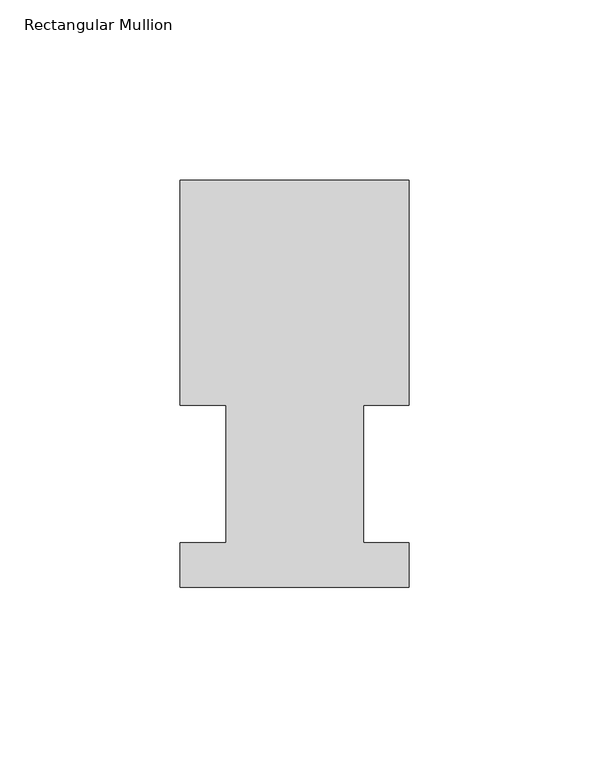
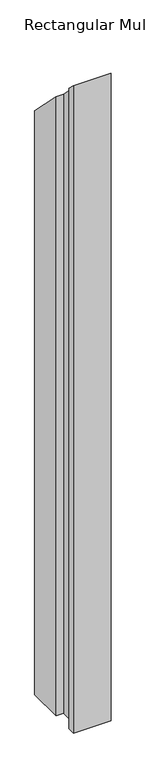
"""IFC4 building model written with IfcOpenShell, lengths in millimetres: member geometry, Rectangular Mullion."""

from ifc_helpers import new_model, si_unit, origin, place, context, project, spatial, faceted_brep, source, transform, mapped, element, save


def rectangular_mullion_a1a1fcf0(model_context):
    return source(origin(), model_context, "Body", "Brep", [
        faceted_brep([(-63.5368106, 52.5859375, -1156.6634065), (-63.5368106, 115.0699375, -1156.6634065), (0.0, 115.0699375, -1156.6634065), (0.0, 52.5859375, -1156.6634065), (-12.602764, 52.5859375, -1156.6634065), (-12.602764, 14.4858895, -1156.6634065), (0.0, 14.4858895, -1156.6634065), (0.0, 2.1909696, -1156.6634065), (-63.5, 2.1909696, -1156.6634065), (-63.5, 14.4859413, -1156.6634065), (-50.7405803, 14.4859413, -1156.6634065), (-50.7405803, 52.5859375, -1156.6634065), (-50.7405803, 52.5859375, -52.5859375), (-63.5368106, 52.5859375, -52.5859375), (-50.7405803, 14.4859413, -14.4859413), (-63.5, 14.4859413, -14.4859413), (-63.5, 2.1909696, -2.1909696), (0.0, 2.1909696, -2.1909696), (0.0, 14.4858895, -14.4858895), (-12.602764, 14.4858895, -14.4858895), (-12.602764, 52.5859375, -52.5859375), (0.0, 52.5859375, -52.5859375), (0.0, 115.0699375, -115.0699375), (-63.5368106, 115.0699375, -115.0699375)], [[[0, 1, 2, 3, 4, 5, 6, 7, 8, 9, 10, 11]], [[12, 13, 0, 11]], [[14, 12, 11, 10]], [[15, 14, 10, 9]], [[16, 15, 9, 8]], [[17, 16, 8, 7]], [[18, 17, 7, 6]], [[19, 18, 6, 5]], [[20, 19, 5, 4]], [[21, 20, 4, 3]], [[22, 21, 3, 2]], [[23, 22, 2, 1]], [[13, 23, 1, 0]], [[13, 12, 14, 15, 16, 17, 18, 19, 20, 21, 22, 23]]]),
    ])


if __name__ == "__main__":
    model = new_model("IFC4")
    model_context = context("Model", 3, world=origin())
    ifc_project = project(units=[si_unit("LENGTHUNIT", "METRE", prefix="MILLI")], contexts=[model_context])
    site = spatial("IfcSite", under=ifc_project)
    building = spatial("IfcBuilding", under=site)
    placement = place(None, origin())
    rectangular_mullion_shape = rectangular_mullion_a1a1fcf0(model_context)
    element("IfcMember", 1, ObjectType="Rectangular Mullion", at=placement, inside=building, context=model_context, shape_type="MappedRepresentation", body=[
        mapped(rectangular_mullion_shape, transform((0.0, 0.0, 0.0), x_axis=(1.0, 0.0, 0.0), y_axis=(0.0, 1.0, 0.0), z_axis=(0.0, 0.0, 1.0))),
    ])
    save(model, "model.ifc")
